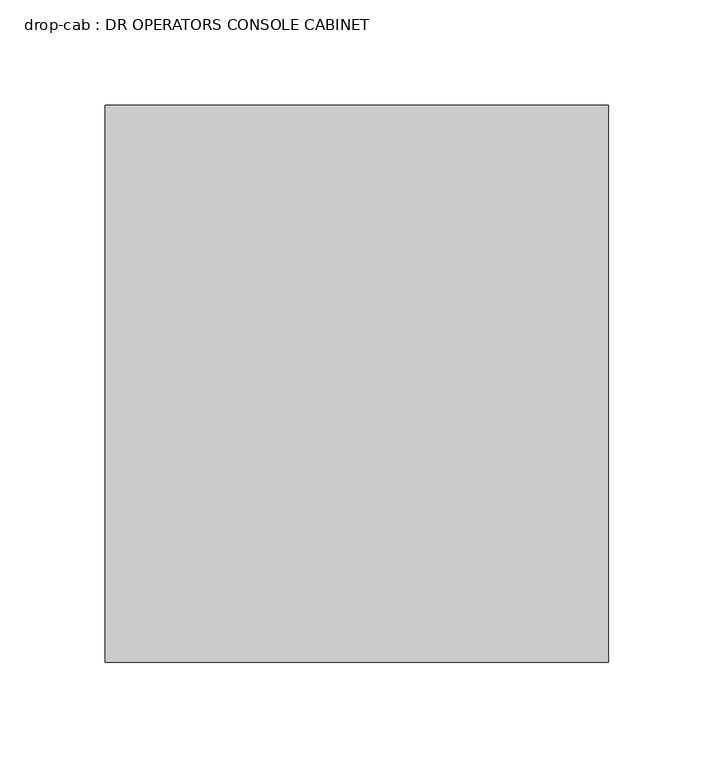
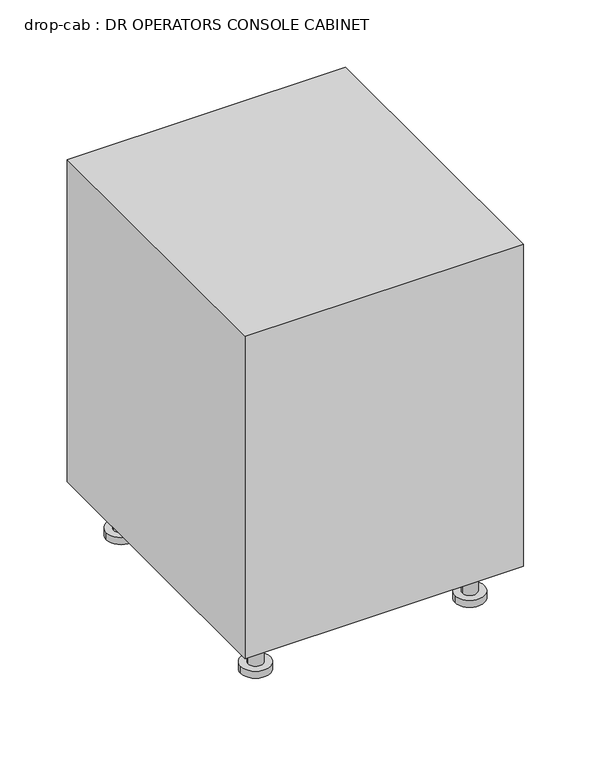
"""IFC4 building model written with IfcOpenShell, lengths in millimetres: proxy geometry, drop-cab : DR OPERATORS CONSOLE CABINET."""

from ifc_helpers import new_model, si_unit, point, frame, frame_2d, origin, origin_with_axes, place, context, project, spatial, polyline, circle_curve, trimmed, segment, composite_curve, outline, extrude, source, transform, mapped, element, save


def drop_cab_dr_operators_console_cabinet_d8f73bc8(model_context):
    return source(origin(), model_context, "Body", "SweptSolid", [
        extrude(outline(composite_curve([segment(trimmed(circle_curve(frame_2d((-91.8551333, -169.8084427)), 6.35), [point((-98.2051333, -169.8084427))], [point((-85.5051333, -169.8084427))], False, "CARTESIAN"), True, "CONTINUOUS"), segment(trimmed(circle_curve(frame_2d((-91.8551333, -169.8084427)), 6.35), [point((-85.5051333, -169.8084427))], [point((-98.2051333, -169.8084427))], False, "CARTESIAN"), True, "CONTINUOUS")], self_intersect=False)), frame((0.0, 0.0, 6.35), z_axis=(0.0, 0.0, 1.0), x_axis=(1.0, 0.0, 0.0)), (0.0, 0.0, 1.0), 31.75),
        extrude(outline(composite_curve([segment(trimmed(circle_curve(frame_2d((91.8551333, -169.8084427)), 6.35), [point((98.2051333, -169.8084427))], [point((85.5051333, -169.8084427))], False, "CARTESIAN"), True, "CONTINUOUS"), segment(trimmed(circle_curve(frame_2d((91.8551333, -169.8084427)), 6.35), [point((85.5051333, -169.8084427))], [point((98.2051333, -169.8084427))], False, "CARTESIAN"), True, "CONTINUOUS")], self_intersect=False)), frame((0.0, 0.0, 6.35), z_axis=(0.0, 0.0, 1.0), x_axis=(1.0, 0.0, 0.0)), (0.0, 0.0, 1.0), 31.75),
        extrude(outline(composite_curve([segment(trimmed(circle_curve(frame_2d((-91.8551333, -369.6875573)), 6.35), [point((-98.2051333, -369.6875573))], [point((-85.5051333, -369.6875573))], False, "CARTESIAN"), True, "CONTINUOUS"), segment(trimmed(circle_curve(frame_2d((-91.8551333, -369.6875573)), 6.35), [point((-85.5051333, -369.6875573))], [point((-98.2051333, -369.6875573))], False, "CARTESIAN"), True, "CONTINUOUS")], self_intersect=False)), frame((0.0, 0.0, 6.35), z_axis=(0.0, 0.0, 1.0), x_axis=(1.0, 0.0, 0.0)), (0.0, 0.0, 1.0), 31.75),
        extrude(outline(composite_curve([segment(trimmed(circle_curve(frame_2d((91.8551333, -369.6875573)), 6.35), [point((98.2051333, -369.6875573))], [point((85.5051333, -369.6875573))], False, "CARTESIAN"), True, "CONTINUOUS"), segment(trimmed(circle_curve(frame_2d((91.8551333, -369.6875573)), 6.35), [point((85.5051333, -369.6875573))], [point((98.2051333, -369.6875573))], False, "CARTESIAN"), True, "CONTINUOUS")], self_intersect=False)), frame((0.0, 0.0, 6.35), z_axis=(0.0, 0.0, 1.0), x_axis=(1.0, 0.0, 0.0)), (0.0, 0.0, 1.0), 31.75),
        extrude(outline(composite_curve([segment(trimmed(circle_curve(frame_2d((-91.8551333, -169.8084427)), 12.7), [point((-104.5551333, -169.8084427))], [point((-79.1551333, -169.8084427))], False, "CARTESIAN"), True, "CONTINUOUS"), segment(trimmed(circle_curve(frame_2d((-91.8551333, -169.8084427)), 12.7), [point((-79.1551333, -169.8084427))], [point((-104.5551333, -169.8084427))], False, "CARTESIAN"), True, "CONTINUOUS")], self_intersect=False)), origin_with_axes(), (0.0, 0.0, 1.0), 6.35),
        extrude(outline(composite_curve([segment(trimmed(circle_curve(frame_2d((91.8551333, -169.8084427)), 12.7), [point((104.5551333, -169.8084427))], [point((79.1551333, -169.8084427))], False, "CARTESIAN"), True, "CONTINUOUS"), segment(trimmed(circle_curve(frame_2d((91.8551333, -169.8084427)), 12.7), [point((79.1551333, -169.8084427))], [point((104.5551333, -169.8084427))], False, "CARTESIAN"), True, "CONTINUOUS")], self_intersect=False)), origin_with_axes(), (0.0, 0.0, 1.0), 6.35),
        extrude(outline(composite_curve([segment(trimmed(circle_curve(frame_2d((-91.8551333, -369.6875573)), 12.7), [point((-104.5551333, -369.6875573))], [point((-79.1551333, -369.6875573))], False, "CARTESIAN"), True, "CONTINUOUS"), segment(trimmed(circle_curve(frame_2d((-91.8551333, -369.6875573)), 12.7), [point((-79.1551333, -369.6875573))], [point((-104.5551333, -369.6875573))], False, "CARTESIAN"), True, "CONTINUOUS")], self_intersect=False)), origin_with_axes(), (0.0, 0.0, 1.0), 6.35),
        extrude(outline(composite_curve([segment(trimmed(circle_curve(frame_2d((91.8551333, -369.6875573)), 12.7), [point((104.5551333, -369.6875573))], [point((79.1551333, -369.6875573))], False, "CARTESIAN"), True, "CONTINUOUS"), segment(trimmed(circle_curve(frame_2d((91.8551333, -369.6875573)), 12.7), [point((79.1551333, -369.6875573))], [point((104.5551333, -369.6875573))], False, "CARTESIAN"), True, "CONTINUOUS")], self_intersect=False)), origin_with_axes(), (0.0, 0.0, 1.0), 6.35),
        extrude(outline(polyline([(119.38, -137.668), (119.38, -401.828), (-119.38, -401.828), (-119.38, -137.668), (119.38, -137.668)])), frame((0.0, 0.0, 38.1), z_axis=(0.0, 0.0, 1.0), x_axis=(1.0, 0.0, 0.0)), (0.0, 0.0, 1.0), 292.1),
    ])


if __name__ == "__main__":
    model = new_model("IFC4")
    model_context = context("Model", 3, world=origin())
    ifc_project = project(units=[si_unit("LENGTHUNIT", "METRE", prefix="MILLI")], contexts=[model_context])
    site = spatial("IfcSite", under=ifc_project)
    building = spatial("IfcBuilding", under=site)
    placement = place(None, origin())
    drop_cab_dr_operators_console_cabinet_shape = drop_cab_dr_operators_console_cabinet_d8f73bc8(model_context)
    element("IfcBuildingElementProxy", 1, Name="drop-cab : DR OPERATORS CONSOLE CABINET", ObjectType="drop-cab : DR OPERATORS CONSOLE CABINET", at=placement, inside=building, context=model_context, shape_type="MappedRepresentation", body=[
        mapped(drop_cab_dr_operators_console_cabinet_shape, transform((0.0, 0.0, 0.0), x_axis=(1.0, 0.0, 0.0), y_axis=(0.0, 1.0, 0.0), z_axis=(0.0, 0.0, 1.0))),
    ])
    save(model, "model.ifc")
